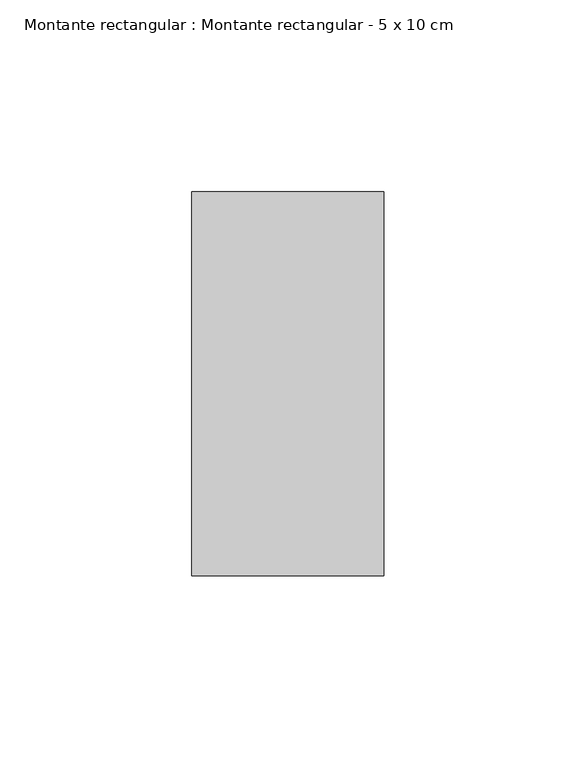
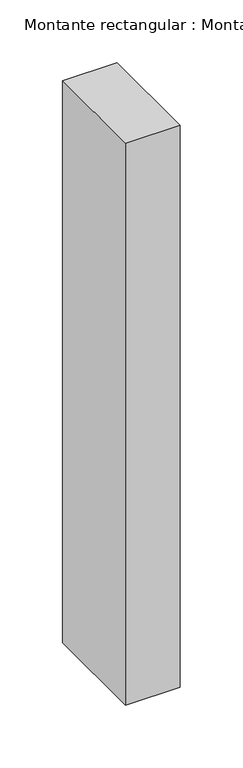
"""IFC4 building model written with IfcOpenShell, lengths in millimetres: member geometry, Montante rectangular : Montante rectangular - 5 x 10 cm."""

from ifc_helpers import new_model, si_unit, frame, origin, place, context, project, spatial, polyline, outline, extrude, source, transform, mapped, element, save


def montante_rectangular_montante_rectangular_5_x_10_cm_d16ebe8f(model_context):
    return source(origin(), model_context, "Body", "SweptSolid", [
        extrude(outline(polyline([(25.0, 50.0), (25.0, -50.0), (-25.0, -50.0), (-25.0, 50.0), (25.0, 50.0)])), frame((0.0, 0.0, -545.0), z_axis=(0.0, 0.0, 1.0), x_axis=(1.0, 0.0, 0.0)), (0.0, 0.0, 1.0), 545.0),
    ])


if __name__ == "__main__":
    model = new_model("IFC4")
    model_context = context("Model", 3, world=origin())
    ifc_project = project(units=[si_unit("LENGTHUNIT", "METRE", prefix="MILLI")], contexts=[model_context])
    site = spatial("IfcSite", under=ifc_project)
    building = spatial("IfcBuilding", under=site)
    placement = place(None, origin())
    montante_rectangular_montante_rectangular_5_x_10_cm_shape = montante_rectangular_montante_rectangular_5_x_10_cm_d16ebe8f(model_context)
    element("IfcMember", 1, ObjectType="Montante rectangular : Montante rectangular - 5 x 10 cm", at=placement, inside=building, context=model_context, shape_type="MappedRepresentation", body=[
        mapped(montante_rectangular_montante_rectangular_5_x_10_cm_shape, transform((0.0, 0.0, 0.0), x_axis=(1.0, 0.0, 0.0), y_axis=(0.0, 1.0, 0.0), z_axis=(0.0, 0.0, 1.0))),
    ])
    save(model, "model.ifc")
